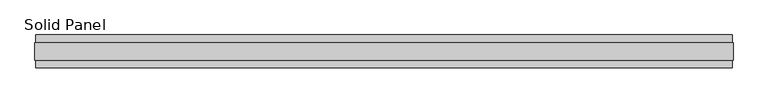
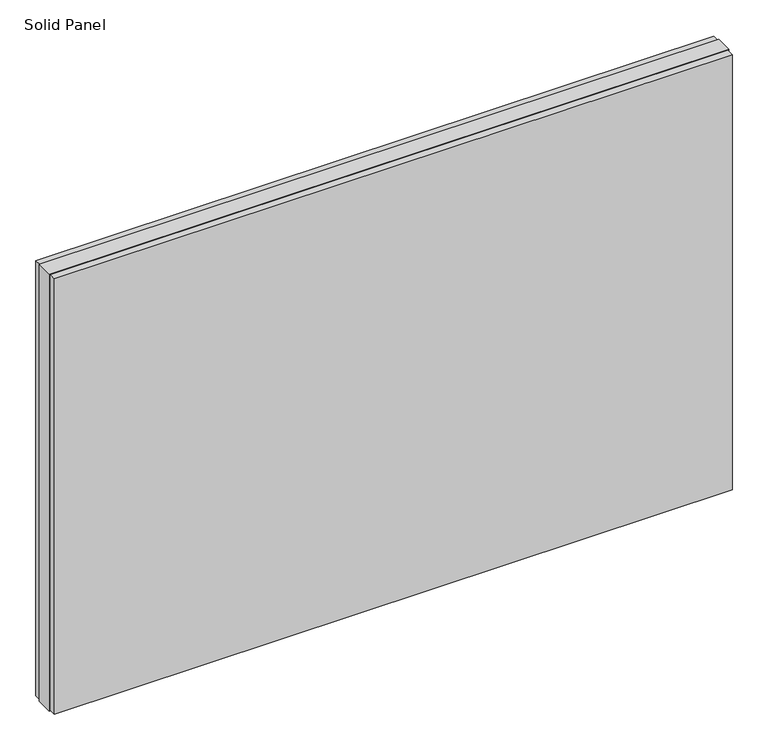
"""IFC4 building model written with IfcOpenShell, lengths in millimetres: plate geometry, Solid Panel."""

import ifcopenshell
import ifcopenshell.guid

model = None  # the IFC model being written
_history = None  # IfcOwnerHistory: only IFC2X3 demands one
_inside = {}  # id of a spatial element -> (the spatial element, [elements in it])
_under = {}  # id of a project, library or spatial element -> (it, [spatial elements below it])
_declared = {}  # id of a project -> (the project, [libraries it declares])
_typed = {}  # id of a type object -> (the type object, [elements of that type])
_made_of = {}  # id of a material, layer set ... -> (it, [elements and type objects made of it])


def new_model(schema):
    """Start an empty IFC model of exactly this schema.

    Asked for "IFC4X3", IfcOpenShell would pick the latest addendum, in which some entities
    have other attributes; the version numbers below select the first issue.
    IFC2X3 requires an IfcOwnerHistory on every rooted entity: one is made here for all.
    """
    global model, _history
    if schema == "IFC4X3":
        model = ifcopenshell.file(schema_version=(4, 3, 0, 0))
    else:
        model = ifcopenshell.file(schema=schema)
    _inside.clear()
    _under.clear()
    _declared.clear()
    _typed.clear()
    _made_of.clear()
    _history = None
    if model.schema == "IFC2X3":
        org = make("IfcOrganization", Name="unknown")
        user = make(
            "IfcPersonAndOrganization",
            ThePerson=make("IfcPerson", FamilyName="unknown"),
            TheOrganization=org,
        )
        app = make(
            "IfcApplication",
            ApplicationDeveloper=org,
            Version="unknown",
            ApplicationFullName="unknown",
            ApplicationIdentifier="unknown",
        )
        _history = make(
            "IfcOwnerHistory",
            OwningUser=user,
            OwningApplication=app,
            ChangeAction="ADDED",
            CreationDate=0,
        )
    return model


def make(cls, **values):
    """One entity of the class cls with the attributes given. An attribute that is None is left unset."""
    return model.create_entity(
        cls, **{name: value for name, value in values.items() if value is not None}
    )


def rooted(cls, **values):
    """An entity with a GlobalId (a new one), such as an element, a storey or a relation."""
    return make(cls, GlobalId=ifcopenshell.guid.new(), OwnerHistory=_history, **values)


def si_unit(unit_type, name, prefix=None):
    """IfcSIUnit, for example si_unit("LENGTHUNIT", "METRE", prefix="MILLI")."""
    return make("IfcSIUnit", UnitType=unit_type, Prefix=prefix, Name=name)


def assignment(units):
    """IfcUnitAssignment: the units of a project."""
    return None if units is None else make("IfcUnitAssignment", Units=units)


def point(xyz):
    """IfcCartesianPoint."""
    return None if xyz is None else make("IfcCartesianPoint", Coordinates=xyz)


def direction(xyz):
    """IfcDirection."""
    return None if xyz is None else make("IfcDirection", DirectionRatios=xyz)


def frame(location, z_axis=None, x_axis=None):
    """IfcAxis2Placement3D, a coordinate frame: its origin and axes. An axis left out is left unset."""
    return make(
        "IfcAxis2Placement3D",
        Location=point(location),
        Axis=direction(z_axis),
        RefDirection=direction(x_axis),
    )


def origin():
    """The frame at (0, 0, 0) with its axes left unset."""
    return frame((0.0, 0.0, 0.0))


def origin_with_axes():
    """The frame at (0, 0, 0) with the z axis (0, 0, 1) and the x axis (1, 0, 0) written out."""
    return frame((0.0, 0.0, 0.0), z_axis=(0.0, 0.0, 1.0), x_axis=(1.0, 0.0, 0.0))


def place(relative_to, where):
    """IfcLocalPlacement: puts the frame where relative to a parent placement (None: the world)."""
    return make(
        "IfcLocalPlacement", PlacementRelTo=relative_to, RelativePlacement=where
    )


def context(
    kind, dimensions, precision=None, world=None, true_north=None, identifier=None
):
    """IfcGeometricRepresentationContext, for example the 3D "Model" context."""
    return make(
        "IfcGeometricRepresentationContext",
        ContextIdentifier=identifier,
        ContextType=kind,
        CoordinateSpaceDimension=dimensions,
        Precision=precision,
        WorldCoordinateSystem=world,
        TrueNorth=true_north,
    )


def project(units=None, contexts=None):
    """IfcProject with its units and contexts."""
    return rooted(
        "IfcProject",
        Name="project",
        RepresentationContexts=contexts,
        UnitsInContext=assignment(units),
    )


def spatial(cls, under=None, at=None, **own):
    """A site, building, storey or space (cls), placed at a placement, below another one or the project."""
    s = rooted(cls, ObjectPlacement=at, **own)
    if under is not None:
        _under.setdefault(under.id(), (under, []))[1].append(s)
    return s


def polyline(points):
    """IfcPolyline through the points."""
    return make("IfcPolyline", Points=[point(p) for p in points])


def outline(outer, holes=None, kind="AREA"):
    """IfcArbitraryClosedProfileDef: a profile drawn as a closed curve; with holes, ...WithVoids."""
    if holes is None:
        return make("IfcArbitraryClosedProfileDef", ProfileType=kind, OuterCurve=outer)
    return make(
        "IfcArbitraryProfileDefWithVoids",
        ProfileType=kind,
        OuterCurve=outer,
        InnerCurves=holes,
    )


def extrude(swept, where, along, depth):
    """IfcExtrudedAreaSolid: the profile swept, set in the frame where, extruded along a direction by depth."""
    return make(
        "IfcExtrudedAreaSolid",
        SweptArea=swept,
        Position=where,
        ExtrudedDirection=direction(along),
        Depth=depth,
    )


def shape(context_of_items, identifier, shape_type, items):
    """IfcShapeRepresentation: the items that make up one representation, for example the "Body"."""
    return make(
        "IfcShapeRepresentation",
        ContextOfItems=context_of_items,
        RepresentationIdentifier=identifier,
        RepresentationType=shape_type,
        Items=items,
    )


def source(mapping_origin, context_of_items, identifier, shape_type, items):
    """IfcRepresentationMap: a shape defined once, which mapped items show again and again."""
    return make(
        "IfcRepresentationMap",
        MappingOrigin=mapping_origin,
        MappedRepresentation=shape(context_of_items, identifier, shape_type, items),
    )


def transform(
    local_origin,
    x_axis=None,
    y_axis=None,
    z_axis=None,
    scale=None,
    scale2=None,
    scale3=None,
    uniform=True,
):
    """IfcCartesianTransformationOperator3D, or its non-uniform kind. x_axis, y_axis, z_axis: its Axis1, 2, 3."""
    if uniform:
        return make(
            "IfcCartesianTransformationOperator3D",
            Axis1=direction(x_axis),
            Axis2=direction(y_axis),
            LocalOrigin=point(local_origin),
            Scale=scale,
            Axis3=direction(z_axis),
        )
    return make(
        "IfcCartesianTransformationOperator3DnonUniform",
        Axis1=direction(x_axis),
        Axis2=direction(y_axis),
        LocalOrigin=point(local_origin),
        Scale=scale,
        Axis3=direction(z_axis),
        Scale2=scale2,
        Scale3=scale3,
    )


def mapped(mapping_source, mapping_target):
    """IfcMappedItem: shows the shape of a source again, moved by a transform."""
    return make(
        "IfcMappedItem", MappingSource=mapping_source, MappingTarget=mapping_target
    )


def made_of(thing, what):
    """Note that an element or type object is made of a material, layer set ...; save() writes the relation."""
    if what is not None:
        _made_of.setdefault(what.id(), (what, []))[1].append(thing)
    return thing


def element(
    cls,
    number,
    at=None,
    inside=None,
    cuts=None,
    type_object=None,
    material=None,
    context=None,
    identifier="Body",
    shape_type=None,
    held_by="IfcProductDefinitionShape",
    body=None,
    shapes=None,
    **own,
):
    """One element of the class cls, such as IfcWall. Its Tag is "e" and its number.

    at: its placement. inside: the storey or other place that contains it. cuts: it is an
    opening in that element (IfcRelVoidsElement). A single representation is given by context,
    identifier, shape_type and body (its items); several are given by shapes. held_by: the class
    of the entity that holds the representations. save() writes the other relations.
    """
    e = rooted(cls, Tag="e%d" % number, ObjectPlacement=at, **own)
    if body is not None:
        shapes = [shape(context, identifier, shape_type, body)]
    if shapes is not None:
        e.Representation = make(held_by, Representations=shapes)
    if inside is not None:
        _inside.setdefault(inside.id(), (inside, []))[1].append(e)
    if cuts is not None:
        rooted(
            "IfcRelVoidsElement", RelatingBuildingElement=cuts, RelatedOpeningElement=e
        )
    if type_object is not None:
        _typed.setdefault(type_object.id(), (type_object, []))[1].append(e)
    return made_of(e, material)


def aggregate(whole, parts):
    """IfcRelAggregates: a whole, such as a stair, and the parts it consists of."""
    return rooted("IfcRelAggregates", RelatingObject=whole, RelatedObjects=parts)


def save(model, path):
    """Write the relations noted so far, then the file.

    IfcRelAggregates (storeys below a building ...), IfcRelContainedInSpatialStructure (elements
    in a storey), IfcRelDefinesByType, IfcRelAssociatesMaterial and IfcRelDeclares: one each for
    every whole, place, type object, material and project.
    """
    for whole, parts in _under.values():
        aggregate(whole, parts)
    for where, things in _inside.values():
        rooted(
            "IfcRelContainedInSpatialStructure",
            RelatedElements=things,
            RelatingStructure=where,
        )
    for kind, things in _typed.values():
        rooted("IfcRelDefinesByType", RelatedObjects=things, RelatingType=kind)
    for what, things in _made_of.values():
        rooted("IfcRelAssociatesMaterial", RelatedObjects=things, RelatingMaterial=what)
    for by, libraries in _declared.values():
        rooted("IfcRelDeclares", RelatingContext=by, RelatedDefinitions=libraries)
    model.write(path)


def solid_panel_83df8c50(model_context):
    return source(origin(), model_context, "Body", "SweptSolid", [
        extrude(outline(polyline([(1024.0783708, -48.4531867), (-1024.0783708, -48.4531867), (-1024.0783708, -25.9961), (1024.0783708, -25.9961), (1024.0783708, -48.4531867)])), frame((0.0, 0.0, 3.0099), z_axis=(0.0, 0.0, 1.0), x_axis=(1.0, 0.0, 0.0)), (0.0, 0.0, 1.0), 1390.9802),
        extrude(outline(polyline([(1024.0783708, 25.9977), (-1024.0783708, 25.9977), (-1024.0783708, 48.4547867), (1024.0783708, 48.4547867), (1024.0783708, 25.9977)])), frame((0.0, 0.0, 3.0099), z_axis=(0.0, 0.0, 1.0), x_axis=(1.0, 0.0, 0.0)), (0.0, 0.0, 1.0), 1390.9802),
        extrude(outline(polyline([(1027.0755708, -25.9961), (-1027.0755708, -25.9961), (-1027.0755708, 25.9977), (1027.0755708, 25.9977), (1027.0755708, -25.9961)])), origin_with_axes(), (0.0, 0.0, 1.0), 1397.0),
    ])


if __name__ == "__main__":
    model = new_model("IFC4")
    model_context = context("Model", 3, world=origin())
    ifc_project = project(units=[si_unit("LENGTHUNIT", "METRE", prefix="MILLI")], contexts=[model_context])
    site = spatial("IfcSite", under=ifc_project)
    building = spatial("IfcBuilding", under=site)
    placement = place(None, origin())
    solid_panel_shape = solid_panel_83df8c50(model_context)
    element("IfcPlate", 1, ObjectType="Solid Panel", at=placement, inside=building, context=model_context, shape_type="MappedRepresentation", body=[
        mapped(solid_panel_shape, transform((0.0, 0.0, 0.0), x_axis=(1.0, 0.0, 0.0), y_axis=(0.0, 1.0, 0.0), z_axis=(0.0, 0.0, 1.0))),
    ])
    save(model, "model.ifc")
